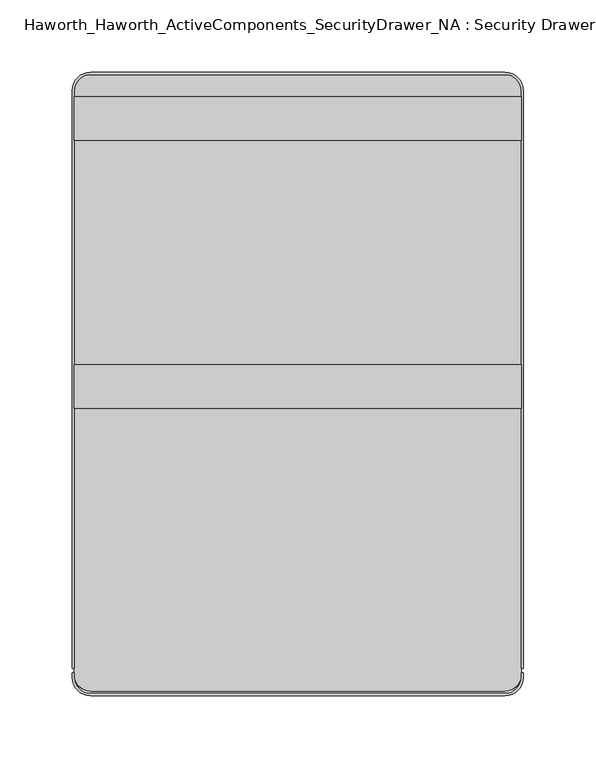
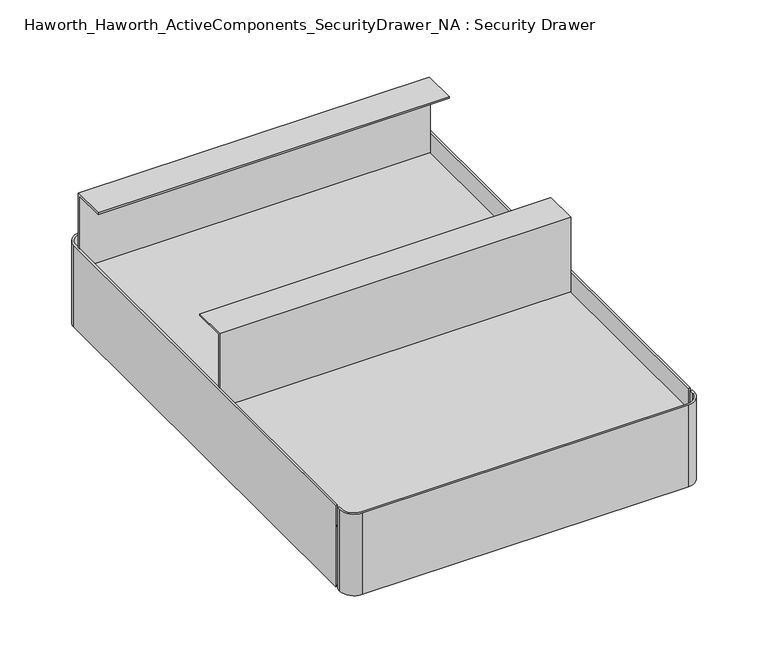
"""IFC4 building model written with IfcOpenShell, lengths in millimetres: furniture geometry, Haworth_Haworth_ActiveComponents_SecurityDrawer_NA : Security Drawer."""

from ifc_helpers import new_model, si_unit, point, frame, frame_2d, origin, place, context, project, spatial, polyline, circle_curve, trimmed, segment, composite_curve, outline, extrude, source, transform, mapped, element, save


def haworth_haworth_activecomponents_securitydrawer_na_security_5e3916b3(model_context):
    return source(origin(), model_context, "Body", "SweptSolid", [
        extrude(outline(composite_curve([segment(trimmed(circle_curve(frame_2d((105.56875, -57.15)), 11.1125), [point((105.56875, -46.0375))], [point((116.68125, -57.15))], False, "CARTESIAN"), True, "CONTINUOUS"), segment(polyline([(116.68125, -57.15), (116.68125, -461.9625)]), True, "CONTINUOUS"), segment(trimmed(circle_curve(frame_2d((105.56875, -461.9625)), 11.1125), [point((116.68125, -461.9625))], [point((105.56875, -473.075))], False, "CARTESIAN"), True, "CONTINUOUS"), segment(polyline([(105.56875, -473.075), (-181.76875, -473.075)]), True, "CONTINUOUS"), segment(trimmed(circle_curve(frame_2d((-181.76875, -461.9625)), 11.1125), [point((-181.76875, -473.075))], [point((-192.88125, -461.9625))], False, "CARTESIAN"), True, "CONTINUOUS"), segment(polyline([(-192.88125, -461.9625), (-192.88125, -57.15)]), True, "CONTINUOUS"), segment(trimmed(circle_curve(frame_2d((-181.76875, -57.15)), 11.1125), [point((-192.88125, -57.15))], [point((-181.76875, -46.0375))], False, "CARTESIAN"), True, "CONTINUOUS"), segment(polyline([(-181.76875, -46.0375), (105.56875, -46.0375)]), True, "CONTINUOUS")], self_intersect=False)), frame((0.0, 0.0, 633.4124758), z_axis=(0.0, 0.0, 1.0), x_axis=(1.0, 0.0, 0.0)), (0.0, 0.0, 1.0), 1.5875),
        extrude(outline(composite_curve([segment(trimmed(circle_curve(frame_2d((105.56875, -57.15)), 11.1125), [point((105.56875, -46.0375))], [point((116.68125, -57.15))], False, "CARTESIAN"), True, "CONTINUOUS"), segment(polyline([(116.68125, -57.15), (116.68125, -461.9625)]), True, "CONTINUOUS"), segment(trimmed(circle_curve(frame_2d((105.56875, -461.9625)), 11.1125), [point((116.68125, -461.9625))], [point((105.56875, -473.075))], False, "CARTESIAN"), True, "CONTINUOUS"), segment(polyline([(105.56875, -473.075), (-181.76875, -473.075)]), True, "CONTINUOUS"), segment(trimmed(circle_curve(frame_2d((-181.76875, -461.9625)), 11.1125), [point((-181.76875, -473.075))], [point((-192.88125, -461.9625))], False, "CARTESIAN"), True, "CONTINUOUS"), segment(polyline([(-192.88125, -461.9625), (-192.88125, -57.15)]), True, "CONTINUOUS"), segment(trimmed(circle_curve(frame_2d((-181.76875, -57.15)), 11.1125), [point((-192.88125, -57.15))], [point((-181.76875, -46.0375))], False, "CARTESIAN"), True, "CONTINUOUS"), segment(polyline([(-181.76875, -46.0375), (105.56875, -46.0375)]), True, "CONTINUOUS")], self_intersect=False)), frame((0.0, 0.0, 577.85), z_axis=(0.0, 0.0, 1.0), x_axis=(1.0, 0.0, 0.0)), (0.0, 0.0, 1.0), 1.5875),
        extrude(outline(polyline([(-277.3171814, 634.9999758), (-277.3171814, 704.85), (-247.1546814, 704.85), (-247.1546814, 703.2625), (-275.7296814, 703.2625), (-275.7296814, 634.9999758), (-277.3171814, 634.9999758)])), frame((-192.88125, 0.0, 0.0), z_axis=(1.0, 0.0, 0.0), x_axis=(0.0, 1.0, 0.0)), (0.0, 0.0, 1.0), 309.5625),
        extrude(outline(polyline([(-61.4172056, 634.9999758), (-63.0047056, 634.9999758), (-63.0047056, 703.2625), (-91.5797056, 703.2625), (-91.5797056, 704.85), (-61.4172056, 704.85), (-61.4172056, 634.9999758)])), frame((-192.88125, 0.0, 0.0), z_axis=(1.0, 0.0, 0.0), x_axis=(0.0, 1.0, 0.0)), (0.0, 0.0, 1.0), 309.5625),
        extrude(outline(composite_curve([segment(polyline([(-194.46875, -463.55), (-194.46875, -460.375), (-192.88125, -460.375), (-192.88125, -463.55)]), True, "CONTINUOUS"), segment(trimmed(circle_curve(frame_2d((-181.76875, -463.55)), 11.1125), [point((-192.88125, -463.55))], [point((-181.76875, -474.6625))], True, "CARTESIAN"), True, "CONTINUOUS"), segment(polyline([(-181.76875, -474.6625), (105.56875, -474.6625)]), True, "CONTINUOUS"), segment(trimmed(circle_curve(frame_2d((105.56875, -463.55)), 11.1125), [point((105.56875, -474.6625))], [point((116.68125, -463.55))], True, "CARTESIAN"), True, "CONTINUOUS"), segment(polyline([(116.68125, -463.55), (116.68125, -460.375), (118.26875, -460.375), (118.26875, -463.55)]), True, "CONTINUOUS"), segment(trimmed(circle_curve(frame_2d((105.56875, -463.55)), 12.7), [point((118.26875, -463.55))], [point((105.56875, -476.25))], False, "CARTESIAN"), True, "CONTINUOUS"), segment(polyline([(105.56875, -476.25), (-181.76875, -476.25)]), True, "CONTINUOUS"), segment(trimmed(circle_curve(frame_2d((-181.76875, -463.55)), 12.7), [point((-181.76875, -476.25))], [point((-194.46875, -463.55))], False, "CARTESIAN"), True, "CONTINUOUS")], self_intersect=False)), frame((0.0, 0.0, 577.85), z_axis=(0.0, 0.0, 1.0), x_axis=(1.0, 0.0, 0.0)), (0.0, 0.0, 1.0), 76.2),
        extrude(outline(composite_curve([segment(trimmed(circle_curve(frame_2d((-181.76875, -57.15)), 12.7), [point((-194.46875, -57.15))], [point((-181.76875, -44.45))], False, "CARTESIAN"), True, "CONTINUOUS"), segment(polyline([(-181.76875, -44.45), (105.56875, -44.45)]), True, "CONTINUOUS"), segment(trimmed(circle_curve(frame_2d((105.56875, -57.15)), 12.7), [point((105.56875, -44.45))], [point((118.26875, -57.15))], False, "CARTESIAN"), True, "CONTINUOUS"), segment(polyline([(118.26875, -57.15), (118.26875, -457.2), (116.68125, -457.2), (116.68125, -57.15)]), True, "CONTINUOUS"), segment(trimmed(circle_curve(frame_2d((105.56875, -57.15)), 11.1125), [point((116.68125, -57.15))], [point((105.56875, -46.0375))], True, "CARTESIAN"), True, "CONTINUOUS"), segment(polyline([(105.56875, -46.0375), (-181.76875, -46.0375)]), True, "CONTINUOUS"), segment(trimmed(circle_curve(frame_2d((-181.76875, -57.15)), 11.1125), [point((-181.76875, -46.0375))], [point((-192.88125, -57.15))], True, "CARTESIAN"), True, "CONTINUOUS"), segment(polyline([(-192.88125, -57.15), (-192.88125, -457.2), (-194.46875, -457.2), (-194.46875, -57.15)]), True, "CONTINUOUS")], self_intersect=False)), frame((0.0, 0.0, 577.85), z_axis=(0.0, 0.0, 1.0), x_axis=(1.0, 0.0, 0.0)), (0.0, 0.0, 1.0), 76.2),
    ])


if __name__ == "__main__":
    model = new_model("IFC4")
    model_context = context("Model", 3, world=origin())
    ifc_project = project(units=[si_unit("LENGTHUNIT", "METRE", prefix="MILLI")], contexts=[model_context])
    site = spatial("IfcSite", under=ifc_project)
    building = spatial("IfcBuilding", under=site)
    placement = place(None, origin())
    haworth_haworth_activecomponents_securitydrawer_na_security_shape = haworth_haworth_activecomponents_securitydrawer_na_security_5e3916b3(model_context)
    element("IfcFurniture", 1, ObjectType="Haworth_Haworth_ActiveComponents_SecurityDrawer_NA : Security Drawer", at=placement, inside=building, context=model_context, shape_type="MappedRepresentation", body=[
        mapped(haworth_haworth_activecomponents_securitydrawer_na_security_shape, transform((0.0, 0.0, 0.0), x_axis=(1.0, 0.0, 0.0), y_axis=(0.0, 1.0, 0.0), z_axis=(0.0, 0.0, 1.0))),
    ])
    save(model, "model.ifc")
